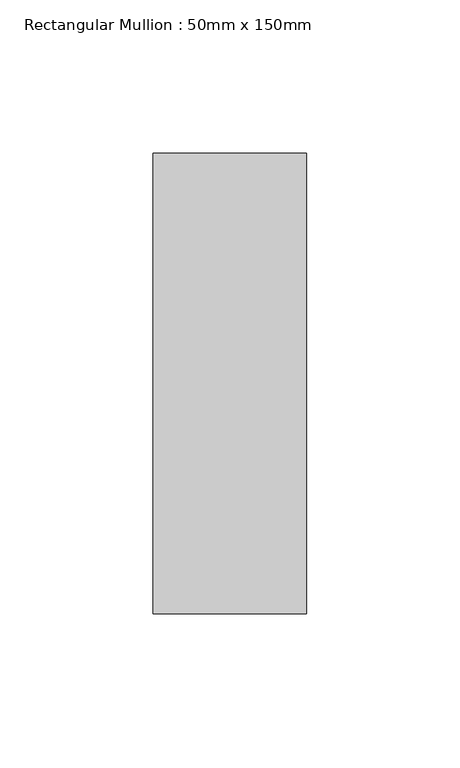
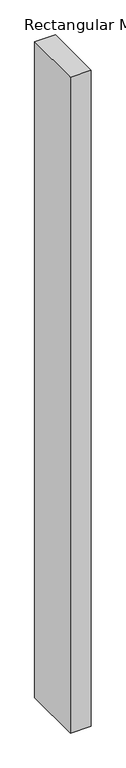
"""IFC4 building model written with IfcOpenShell, lengths in millimetres: member geometry, Rectangular Mullion : 50mm x 150mm."""

import ifcopenshell
import ifcopenshell.guid

model = None  # the IFC model being written
_history = None  # IfcOwnerHistory: only IFC2X3 demands one
_inside = {}  # id of a spatial element -> (the spatial element, [elements in it])
_under = {}  # id of a project, library or spatial element -> (it, [spatial elements below it])
_declared = {}  # id of a project -> (the project, [libraries it declares])
_typed = {}  # id of a type object -> (the type object, [elements of that type])
_made_of = {}  # id of a material, layer set ... -> (it, [elements and type objects made of it])


def new_model(schema):
    """Start an empty IFC model of exactly this schema.

    Asked for "IFC4X3", IfcOpenShell would pick the latest addendum, in which some entities
    have other attributes; the version numbers below select the first issue.
    IFC2X3 requires an IfcOwnerHistory on every rooted entity: one is made here for all.
    """
    global model, _history
    if schema == "IFC4X3":
        model = ifcopenshell.file(schema_version=(4, 3, 0, 0))
    else:
        model = ifcopenshell.file(schema=schema)
    _inside.clear()
    _under.clear()
    _declared.clear()
    _typed.clear()
    _made_of.clear()
    _history = None
    if model.schema == "IFC2X3":
        org = make("IfcOrganization", Name="unknown")
        user = make(
            "IfcPersonAndOrganization",
            ThePerson=make("IfcPerson", FamilyName="unknown"),
            TheOrganization=org,
        )
        app = make(
            "IfcApplication",
            ApplicationDeveloper=org,
            Version="unknown",
            ApplicationFullName="unknown",
            ApplicationIdentifier="unknown",
        )
        _history = make(
            "IfcOwnerHistory",
            OwningUser=user,
            OwningApplication=app,
            ChangeAction="ADDED",
            CreationDate=0,
        )
    return model


def make(cls, **values):
    """One entity of the class cls with the attributes given. An attribute that is None is left unset."""
    return model.create_entity(
        cls, **{name: value for name, value in values.items() if value is not None}
    )


def rooted(cls, **values):
    """An entity with a GlobalId (a new one), such as an element, a storey or a relation."""
    return make(cls, GlobalId=ifcopenshell.guid.new(), OwnerHistory=_history, **values)


def si_unit(unit_type, name, prefix=None):
    """IfcSIUnit, for example si_unit("LENGTHUNIT", "METRE", prefix="MILLI")."""
    return make("IfcSIUnit", UnitType=unit_type, Prefix=prefix, Name=name)


def assignment(units):
    """IfcUnitAssignment: the units of a project."""
    return None if units is None else make("IfcUnitAssignment", Units=units)


def point(xyz):
    """IfcCartesianPoint."""
    return None if xyz is None else make("IfcCartesianPoint", Coordinates=xyz)


def direction(xyz):
    """IfcDirection."""
    return None if xyz is None else make("IfcDirection", DirectionRatios=xyz)


def frame(location, z_axis=None, x_axis=None):
    """IfcAxis2Placement3D, a coordinate frame: its origin and axes. An axis left out is left unset."""
    return make(
        "IfcAxis2Placement3D",
        Location=point(location),
        Axis=direction(z_axis),
        RefDirection=direction(x_axis),
    )


def origin():
    """The frame at (0, 0, 0) with its axes left unset."""
    return frame((0.0, 0.0, 0.0))


def place(relative_to, where):
    """IfcLocalPlacement: puts the frame where relative to a parent placement (None: the world)."""
    return make(
        "IfcLocalPlacement", PlacementRelTo=relative_to, RelativePlacement=where
    )


def context(
    kind, dimensions, precision=None, world=None, true_north=None, identifier=None
):
    """IfcGeometricRepresentationContext, for example the 3D "Model" context."""
    return make(
        "IfcGeometricRepresentationContext",
        ContextIdentifier=identifier,
        ContextType=kind,
        CoordinateSpaceDimension=dimensions,
        Precision=precision,
        WorldCoordinateSystem=world,
        TrueNorth=true_north,
    )


def project(units=None, contexts=None):
    """IfcProject with its units and contexts."""
    return rooted(
        "IfcProject",
        Name="project",
        RepresentationContexts=contexts,
        UnitsInContext=assignment(units),
    )


def spatial(cls, under=None, at=None, **own):
    """A site, building, storey or space (cls), placed at a placement, below another one or the project."""
    s = rooted(cls, ObjectPlacement=at, **own)
    if under is not None:
        _under.setdefault(under.id(), (under, []))[1].append(s)
    return s


def polyline(points):
    """IfcPolyline through the points."""
    return make("IfcPolyline", Points=[point(p) for p in points])


def outline(outer, holes=None, kind="AREA"):
    """IfcArbitraryClosedProfileDef: a profile drawn as a closed curve; with holes, ...WithVoids."""
    if holes is None:
        return make("IfcArbitraryClosedProfileDef", ProfileType=kind, OuterCurve=outer)
    return make(
        "IfcArbitraryProfileDefWithVoids",
        ProfileType=kind,
        OuterCurve=outer,
        InnerCurves=holes,
    )


def extrude(swept, where, along, depth):
    """IfcExtrudedAreaSolid: the profile swept, set in the frame where, extruded along a direction by depth."""
    return make(
        "IfcExtrudedAreaSolid",
        SweptArea=swept,
        Position=where,
        ExtrudedDirection=direction(along),
        Depth=depth,
    )


def shape(context_of_items, identifier, shape_type, items):
    """IfcShapeRepresentation: the items that make up one representation, for example the "Body"."""
    return make(
        "IfcShapeRepresentation",
        ContextOfItems=context_of_items,
        RepresentationIdentifier=identifier,
        RepresentationType=shape_type,
        Items=items,
    )


def source(mapping_origin, context_of_items, identifier, shape_type, items):
    """IfcRepresentationMap: a shape defined once, which mapped items show again and again."""
    return make(
        "IfcRepresentationMap",
        MappingOrigin=mapping_origin,
        MappedRepresentation=shape(context_of_items, identifier, shape_type, items),
    )


def transform(
    local_origin,
    x_axis=None,
    y_axis=None,
    z_axis=None,
    scale=None,
    scale2=None,
    scale3=None,
    uniform=True,
):
    """IfcCartesianTransformationOperator3D, or its non-uniform kind. x_axis, y_axis, z_axis: its Axis1, 2, 3."""
    if uniform:
        return make(
            "IfcCartesianTransformationOperator3D",
            Axis1=direction(x_axis),
            Axis2=direction(y_axis),
            LocalOrigin=point(local_origin),
            Scale=scale,
            Axis3=direction(z_axis),
        )
    return make(
        "IfcCartesianTransformationOperator3DnonUniform",
        Axis1=direction(x_axis),
        Axis2=direction(y_axis),
        LocalOrigin=point(local_origin),
        Scale=scale,
        Axis3=direction(z_axis),
        Scale2=scale2,
        Scale3=scale3,
    )


def mapped(mapping_source, mapping_target):
    """IfcMappedItem: shows the shape of a source again, moved by a transform."""
    return make(
        "IfcMappedItem", MappingSource=mapping_source, MappingTarget=mapping_target
    )


def made_of(thing, what):
    """Note that an element or type object is made of a material, layer set ...; save() writes the relation."""
    if what is not None:
        _made_of.setdefault(what.id(), (what, []))[1].append(thing)
    return thing


def element(
    cls,
    number,
    at=None,
    inside=None,
    cuts=None,
    type_object=None,
    material=None,
    context=None,
    identifier="Body",
    shape_type=None,
    held_by="IfcProductDefinitionShape",
    body=None,
    shapes=None,
    **own,
):
    """One element of the class cls, such as IfcWall. Its Tag is "e" and its number.

    at: its placement. inside: the storey or other place that contains it. cuts: it is an
    opening in that element (IfcRelVoidsElement). A single representation is given by context,
    identifier, shape_type and body (its items); several are given by shapes. held_by: the class
    of the entity that holds the representations. save() writes the other relations.
    """
    e = rooted(cls, Tag="e%d" % number, ObjectPlacement=at, **own)
    if body is not None:
        shapes = [shape(context, identifier, shape_type, body)]
    if shapes is not None:
        e.Representation = make(held_by, Representations=shapes)
    if inside is not None:
        _inside.setdefault(inside.id(), (inside, []))[1].append(e)
    if cuts is not None:
        rooted(
            "IfcRelVoidsElement", RelatingBuildingElement=cuts, RelatedOpeningElement=e
        )
    if type_object is not None:
        _typed.setdefault(type_object.id(), (type_object, []))[1].append(e)
    return made_of(e, material)


def aggregate(whole, parts):
    """IfcRelAggregates: a whole, such as a stair, and the parts it consists of."""
    return rooted("IfcRelAggregates", RelatingObject=whole, RelatedObjects=parts)


def save(model, path):
    """Write the relations noted so far, then the file.

    IfcRelAggregates (storeys below a building ...), IfcRelContainedInSpatialStructure (elements
    in a storey), IfcRelDefinesByType, IfcRelAssociatesMaterial and IfcRelDeclares: one each for
    every whole, place, type object, material and project.
    """
    for whole, parts in _under.values():
        aggregate(whole, parts)
    for where, things in _inside.values():
        rooted(
            "IfcRelContainedInSpatialStructure",
            RelatedElements=things,
            RelatingStructure=where,
        )
    for kind, things in _typed.values():
        rooted("IfcRelDefinesByType", RelatedObjects=things, RelatingType=kind)
    for what, things in _made_of.values():
        rooted("IfcRelAssociatesMaterial", RelatedObjects=things, RelatingMaterial=what)
    for by, libraries in _declared.values():
        rooted("IfcRelDeclares", RelatingContext=by, RelatedDefinitions=libraries)
    model.write(path)


def rectangular_mullion_50mm_x_150mm_edeb00e3(model_context):
    return source(origin(), model_context, "Body", "SweptSolid", [
        extrude(outline(polyline([(25.0, 75.0), (25.0, -75.0), (-25.0, -75.0), (-25.0, 75.0), (25.0, 75.0)])), frame((0.0, 0.0, -1678.0000002), z_axis=(0.0, 0.0, 1.0), x_axis=(1.0, 0.0, 0.0)), (0.0, 0.0, 1.0), 1678.0000002),
    ])


if __name__ == "__main__":
    model = new_model("IFC4")
    model_context = context("Model", 3, world=origin())
    ifc_project = project(units=[si_unit("LENGTHUNIT", "METRE", prefix="MILLI")], contexts=[model_context])
    site = spatial("IfcSite", under=ifc_project)
    building = spatial("IfcBuilding", under=site)
    placement = place(None, origin())
    rectangular_mullion_50mm_x_150mm_shape = rectangular_mullion_50mm_x_150mm_edeb00e3(model_context)
    element("IfcMember", 1, ObjectType="Rectangular Mullion : 50mm x 150mm", at=placement, inside=building, context=model_context, shape_type="MappedRepresentation", body=[
        mapped(rectangular_mullion_50mm_x_150mm_shape, transform((0.0, 0.0, 0.0), x_axis=(1.0, 0.0, 0.0), y_axis=(0.0, 1.0, 0.0), z_axis=(0.0, 0.0, 1.0))),
    ])
    save(model, "model.ifc")
